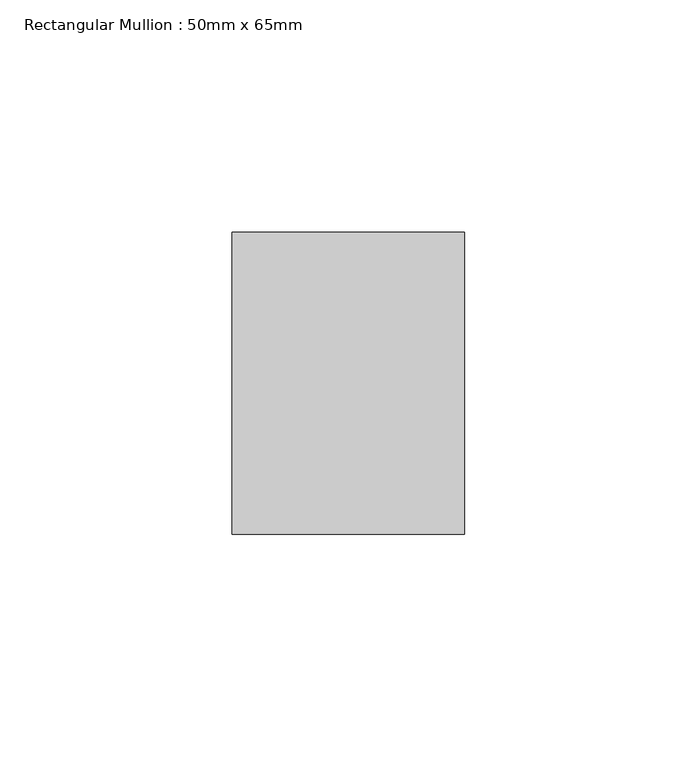
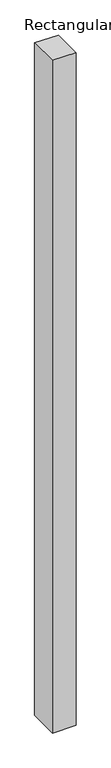
"""IFC4 building model written with IfcOpenShell, lengths in millimetres: member geometry, Rectangular Mullion : 50mm x 65mm."""

from ifc_helpers import new_model, si_unit, origin, place, context, project, spatial, faceted_brep, source, transform, mapped, element, save


def rectangular_mullion_50mm_x_65mm_b137155b(model_context):
    return source(origin(), model_context, "Body", "Brep", [
        faceted_brep([(-25.0, 32.5, -0.1835728), (25.0, 32.5, -0.1835712), (25.0, 32.5, -1499.7335462), (-25.0, 32.5, -1499.7335438), (-25.0, -32.5, 0.1835712), (-25.0, -32.5, -1500.2664391), (25.0, -32.5, 0.1835728), (25.0, -32.5, -1500.2664416)], [[[0, 1, 2, 3]], [[4, 0, 3, 5]], [[6, 4, 5, 7]], [[1, 6, 7, 2]], [[1, 0, 4, 6]], [[2, 7, 5, 3]]]),
    ])


if __name__ == "__main__":
    model = new_model("IFC4")
    model_context = context("Model", 3, world=origin())
    ifc_project = project(units=[si_unit("LENGTHUNIT", "METRE", prefix="MILLI")], contexts=[model_context])
    site = spatial("IfcSite", under=ifc_project)
    building = spatial("IfcBuilding", under=site)
    placement = place(None, origin())
    rectangular_mullion_50mm_x_65mm_shape = rectangular_mullion_50mm_x_65mm_b137155b(model_context)
    element("IfcMember", 1, ObjectType="Rectangular Mullion : 50mm x 65mm", at=placement, inside=building, context=model_context, shape_type="MappedRepresentation", body=[
        mapped(rectangular_mullion_50mm_x_65mm_shape, transform((0.0, 0.0, 0.0), x_axis=(1.0, 0.0, 0.0), y_axis=(0.0, 1.0, 0.0), z_axis=(0.0, 0.0, 1.0))),
    ])
    save(model, "model.ifc")
